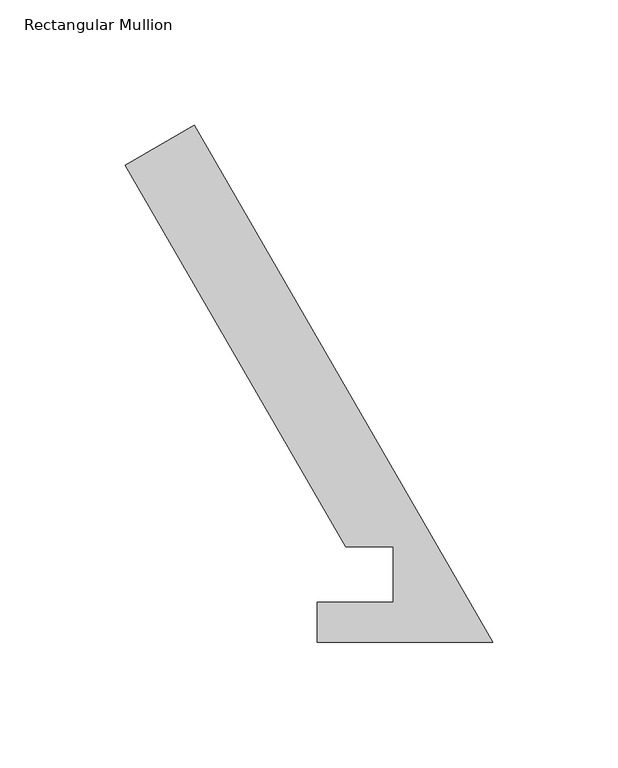
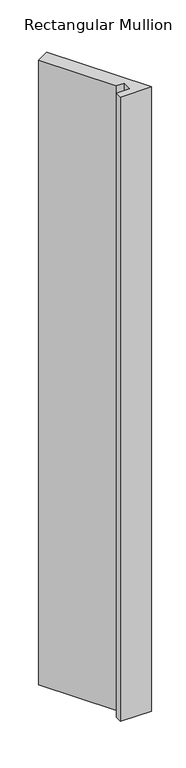
"""IFC4 building model written with IfcOpenShell, lengths in millimetres: member geometry, Rectangular Mullion."""

from ifc_helpers import new_model, si_unit, frame, origin, place, context, project, spatial, polyline, outline, extrude, source, transform, mapped, element, save


def rectangular_mullion_ac0cd4ba(model_context):
    return source(origin(), model_context, "Body", "SweptSolid", [
        extrude(outline(polyline([(0.0, -0.0016643), (-70.0221241, -0.0016643), (-70.0221241, 15.8579232), (-39.5502785, 15.8579232), (-39.5502785, 37.9741117), (-58.5911617, 37.9741117), (-146.579344, 190.3741139), (-119.0816873, 206.2498933), (0.0, -0.0016643)])), frame((0.0, 0.0, -1504.95), z_axis=(0.0, 0.0, 1.0), x_axis=(1.0, 0.0, 0.0)), (0.0, 0.0, 1.0), 1504.95),
    ])


if __name__ == "__main__":
    model = new_model("IFC4")
    model_context = context("Model", 3, world=origin())
    ifc_project = project(units=[si_unit("LENGTHUNIT", "METRE", prefix="MILLI")], contexts=[model_context])
    site = spatial("IfcSite", under=ifc_project)
    building = spatial("IfcBuilding", under=site)
    placement = place(None, origin())
    rectangular_mullion_shape = rectangular_mullion_ac0cd4ba(model_context)
    element("IfcMember", 1, ObjectType="Rectangular Mullion", at=placement, inside=building, context=model_context, shape_type="MappedRepresentation", body=[
        mapped(rectangular_mullion_shape, transform((0.0, 0.0, 0.0), x_axis=(1.0, 0.0, 0.0), y_axis=(0.0, 1.0, 0.0), z_axis=(0.0, 0.0, 1.0))),
    ])
    save(model, "model.ifc")
